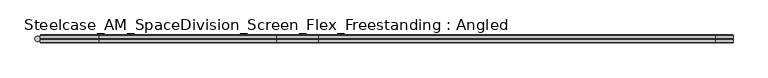
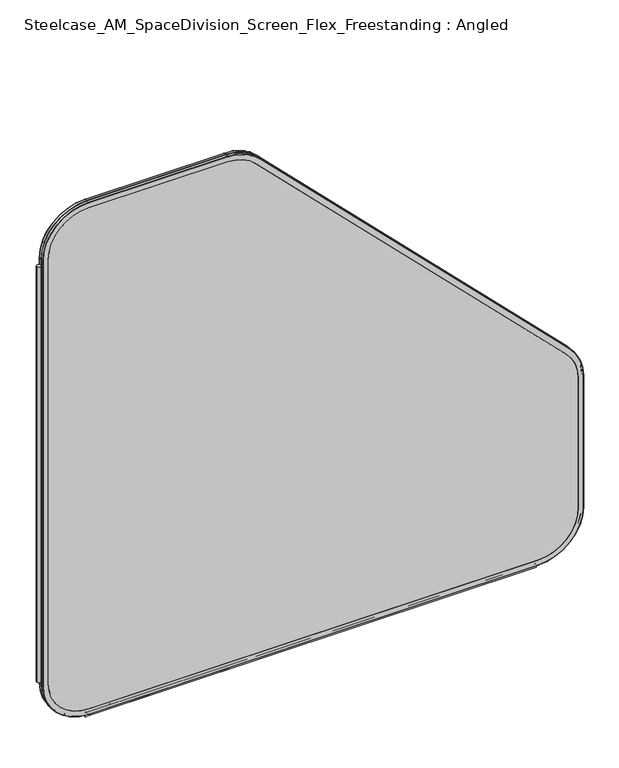
"""IFC4 building model written with IfcOpenShell, lengths in millimetres: furniture geometry, Steelcase_AM_SpaceDivision_Screen_Flex_Freestanding : Angled."""

import ifcopenshell
import ifcopenshell.guid

model = None  # the IFC model being written
_history = None  # IfcOwnerHistory: only IFC2X3 demands one
_inside = {}  # id of a spatial element -> (the spatial element, [elements in it])
_under = {}  # id of a project, library or spatial element -> (it, [spatial elements below it])
_declared = {}  # id of a project -> (the project, [libraries it declares])
_typed = {}  # id of a type object -> (the type object, [elements of that type])
_made_of = {}  # id of a material, layer set ... -> (it, [elements and type objects made of it])


def new_model(schema):
    """Start an empty IFC model of exactly this schema.

    Asked for "IFC4X3", IfcOpenShell would pick the latest addendum, in which some entities
    have other attributes; the version numbers below select the first issue.
    IFC2X3 requires an IfcOwnerHistory on every rooted entity: one is made here for all.
    """
    global model, _history
    if schema == "IFC4X3":
        model = ifcopenshell.file(schema_version=(4, 3, 0, 0))
    else:
        model = ifcopenshell.file(schema=schema)
    _inside.clear()
    _under.clear()
    _declared.clear()
    _typed.clear()
    _made_of.clear()
    _history = None
    if model.schema == "IFC2X3":
        org = make("IfcOrganization", Name="unknown")
        user = make(
            "IfcPersonAndOrganization",
            ThePerson=make("IfcPerson", FamilyName="unknown"),
            TheOrganization=org,
        )
        app = make(
            "IfcApplication",
            ApplicationDeveloper=org,
            Version="unknown",
            ApplicationFullName="unknown",
            ApplicationIdentifier="unknown",
        )
        _history = make(
            "IfcOwnerHistory",
            OwningUser=user,
            OwningApplication=app,
            ChangeAction="ADDED",
            CreationDate=0,
        )
    return model


def make(cls, **values):
    """One entity of the class cls with the attributes given. An attribute that is None is left unset."""
    return model.create_entity(
        cls, **{name: value for name, value in values.items() if value is not None}
    )


def rooted(cls, **values):
    """An entity with a GlobalId (a new one), such as an element, a storey or a relation."""
    return make(cls, GlobalId=ifcopenshell.guid.new(), OwnerHistory=_history, **values)


def si_unit(unit_type, name, prefix=None):
    """IfcSIUnit, for example si_unit("LENGTHUNIT", "METRE", prefix="MILLI")."""
    return make("IfcSIUnit", UnitType=unit_type, Prefix=prefix, Name=name)


def assignment(units):
    """IfcUnitAssignment: the units of a project."""
    return None if units is None else make("IfcUnitAssignment", Units=units)


def point(xyz):
    """IfcCartesianPoint."""
    return None if xyz is None else make("IfcCartesianPoint", Coordinates=xyz)


def direction(xyz):
    """IfcDirection."""
    return None if xyz is None else make("IfcDirection", DirectionRatios=xyz)


def frame(location, z_axis=None, x_axis=None):
    """IfcAxis2Placement3D, a coordinate frame: its origin and axes. An axis left out is left unset."""
    return make(
        "IfcAxis2Placement3D",
        Location=point(location),
        Axis=direction(z_axis),
        RefDirection=direction(x_axis),
    )


def frame_2d(location, x_axis=None):
    """IfcAxis2Placement2D, a coordinate frame in the plane: its origin and x axis."""
    return make(
        "IfcAxis2Placement2D", Location=point(location), RefDirection=direction(x_axis)
    )


def origin():
    """The frame at (0, 0, 0) with its axes left unset."""
    return frame((0.0, 0.0, 0.0))


def place(relative_to, where):
    """IfcLocalPlacement: puts the frame where relative to a parent placement (None: the world)."""
    return make(
        "IfcLocalPlacement", PlacementRelTo=relative_to, RelativePlacement=where
    )


def context(
    kind, dimensions, precision=None, world=None, true_north=None, identifier=None
):
    """IfcGeometricRepresentationContext, for example the 3D "Model" context."""
    return make(
        "IfcGeometricRepresentationContext",
        ContextIdentifier=identifier,
        ContextType=kind,
        CoordinateSpaceDimension=dimensions,
        Precision=precision,
        WorldCoordinateSystem=world,
        TrueNorth=true_north,
    )


def project(units=None, contexts=None):
    """IfcProject with its units and contexts."""
    return rooted(
        "IfcProject",
        Name="project",
        RepresentationContexts=contexts,
        UnitsInContext=assignment(units),
    )


def spatial(cls, under=None, at=None, **own):
    """A site, building, storey or space (cls), placed at a placement, below another one or the project."""
    s = rooted(cls, ObjectPlacement=at, **own)
    if under is not None:
        _under.setdefault(under.id(), (under, []))[1].append(s)
    return s


def polyline(points):
    """IfcPolyline through the points."""
    return make("IfcPolyline", Points=[point(p) for p in points])


def circle_curve(where, radius):
    """IfcCircle in the frame where."""
    return make("IfcCircle", Position=where, Radius=radius)


def ellipse_curve(where, semi_axis1, semi_axis2):
    """IfcEllipse in the frame where."""
    return make(
        "IfcEllipse", Position=where, SemiAxis1=semi_axis1, SemiAxis2=semi_axis2
    )


def trimmed(basis, trim1, trim2, sense, master):
    """IfcTrimmedCurve: the piece of a basis curve between two trims."""
    return make(
        "IfcTrimmedCurve",
        BasisCurve=basis,
        Trim1=trim1,
        Trim2=trim2,
        SenseAgreement=sense,
        MasterRepresentation=master,
    )


def segment(curve, same_sense, transition):
    """IfcCompositeCurveSegment."""
    return make(
        "IfcCompositeCurveSegment",
        Transition=transition,
        SameSense=same_sense,
        ParentCurve=curve,
    )


def composite_curve(segments, self_intersect=None):
    """IfcCompositeCurve: segments joined end to end."""
    return make("IfcCompositeCurve", Segments=segments, SelfIntersect=self_intersect)


def outline(outer, holes=None, kind="AREA"):
    """IfcArbitraryClosedProfileDef: a profile drawn as a closed curve; with holes, ...WithVoids."""
    if holes is None:
        return make("IfcArbitraryClosedProfileDef", ProfileType=kind, OuterCurve=outer)
    return make(
        "IfcArbitraryProfileDefWithVoids",
        ProfileType=kind,
        OuterCurve=outer,
        InnerCurves=holes,
    )


def extrude(swept, where, along, depth):
    """IfcExtrudedAreaSolid: the profile swept, set in the frame where, extruded along a direction by depth."""
    return make(
        "IfcExtrudedAreaSolid",
        SweptArea=swept,
        Position=where,
        ExtrudedDirection=direction(along),
        Depth=depth,
    )


def shape(context_of_items, identifier, shape_type, items):
    """IfcShapeRepresentation: the items that make up one representation, for example the "Body"."""
    return make(
        "IfcShapeRepresentation",
        ContextOfItems=context_of_items,
        RepresentationIdentifier=identifier,
        RepresentationType=shape_type,
        Items=items,
    )


def source(mapping_origin, context_of_items, identifier, shape_type, items):
    """IfcRepresentationMap: a shape defined once, which mapped items show again and again."""
    return make(
        "IfcRepresentationMap",
        MappingOrigin=mapping_origin,
        MappedRepresentation=shape(context_of_items, identifier, shape_type, items),
    )


def transform(
    local_origin,
    x_axis=None,
    y_axis=None,
    z_axis=None,
    scale=None,
    scale2=None,
    scale3=None,
    uniform=True,
):
    """IfcCartesianTransformationOperator3D, or its non-uniform kind. x_axis, y_axis, z_axis: its Axis1, 2, 3."""
    if uniform:
        return make(
            "IfcCartesianTransformationOperator3D",
            Axis1=direction(x_axis),
            Axis2=direction(y_axis),
            LocalOrigin=point(local_origin),
            Scale=scale,
            Axis3=direction(z_axis),
        )
    return make(
        "IfcCartesianTransformationOperator3DnonUniform",
        Axis1=direction(x_axis),
        Axis2=direction(y_axis),
        LocalOrigin=point(local_origin),
        Scale=scale,
        Axis3=direction(z_axis),
        Scale2=scale2,
        Scale3=scale3,
    )


def mapped(mapping_source, mapping_target):
    """IfcMappedItem: shows the shape of a source again, moved by a transform."""
    return make(
        "IfcMappedItem", MappingSource=mapping_source, MappingTarget=mapping_target
    )


def made_of(thing, what):
    """Note that an element or type object is made of a material, layer set ...; save() writes the relation."""
    if what is not None:
        _made_of.setdefault(what.id(), (what, []))[1].append(thing)
    return thing


def element(
    cls,
    number,
    at=None,
    inside=None,
    cuts=None,
    type_object=None,
    material=None,
    context=None,
    identifier="Body",
    shape_type=None,
    held_by="IfcProductDefinitionShape",
    body=None,
    shapes=None,
    **own,
):
    """One element of the class cls, such as IfcWall. Its Tag is "e" and its number.

    at: its placement. inside: the storey or other place that contains it. cuts: it is an
    opening in that element (IfcRelVoidsElement). A single representation is given by context,
    identifier, shape_type and body (its items); several are given by shapes. held_by: the class
    of the entity that holds the representations. save() writes the other relations.
    """
    e = rooted(cls, Tag="e%d" % number, ObjectPlacement=at, **own)
    if body is not None:
        shapes = [shape(context, identifier, shape_type, body)]
    if shapes is not None:
        e.Representation = make(held_by, Representations=shapes)
    if inside is not None:
        _inside.setdefault(inside.id(), (inside, []))[1].append(e)
    if cuts is not None:
        rooted(
            "IfcRelVoidsElement", RelatingBuildingElement=cuts, RelatedOpeningElement=e
        )
    if type_object is not None:
        _typed.setdefault(type_object.id(), (type_object, []))[1].append(e)
    return made_of(e, material)


def aggregate(whole, parts):
    """IfcRelAggregates: a whole, such as a stair, and the parts it consists of."""
    return rooted("IfcRelAggregates", RelatingObject=whole, RelatedObjects=parts)


def save(model, path):
    """Write the relations noted so far, then the file.

    IfcRelAggregates (storeys below a building ...), IfcRelContainedInSpatialStructure (elements
    in a storey), IfcRelDefinesByType, IfcRelAssociatesMaterial and IfcRelDeclares: one each for
    every whole, place, type object, material and project.
    """
    for whole, parts in _under.values():
        aggregate(whole, parts)
    for where, things in _inside.values():
        rooted(
            "IfcRelContainedInSpatialStructure",
            RelatedElements=things,
            RelatingStructure=where,
        )
    for kind, things in _typed.values():
        rooted("IfcRelDefinesByType", RelatedObjects=things, RelatingType=kind)
    for what, things in _made_of.values():
        rooted("IfcRelAssociatesMaterial", RelatedObjects=things, RelatingMaterial=what)
    for by, libraries in _declared.values():
        rooted("IfcRelDeclares", RelatingContext=by, RelatedDefinitions=libraries)
    model.write(path)


def plane_surface(at):
    """IfcPlane: the flat surface through the origin of the frame at, square to its z axis."""
    return make("IfcPlane", Position=at)


def cylinder_surface(at, radius):
    """IfcCylindricalSurface: all points at the distance radius from the z axis of the frame at."""
    return make("IfcCylindricalSurface", Position=at, Radius=radius)


def revolved_surface(curve, axis_point, axis_direction):
    """IfcSurfaceOfRevolution: the curve turned about the line through axis_point along axis_direction."""
    return make(
        "IfcSurfaceOfRevolution",
        SweptCurve=make("IfcArbitraryOpenProfileDef", ProfileType="CURVE", Curve=curve),
        AxisPosition=make("IfcAxis1Placement", Location=point(axis_point), Axis=direction(axis_direction)),
    )


def advanced_brep(points, edges, surfaces, faces):
    """IfcAdvancedBrep: a solid bounded by faces that lie on surfaces and meet in shared edges.

    An edge is (start, end): straight between two places in points (the first is 0);
    or (start, end, curve); or (start, end, curve, False) where it runs against its curve.
    A face is (place in surfaces, loops), or (place, loops, False) where it looks against
    its surface's normal. A loop lists edges by number (the first is 1), with a minus sign
    where the edge is run from its end to its start. The first loop is the outer one.
    """
    corners = [point(p) for p in points]
    vertices = [make("IfcVertexPoint", VertexGeometry=c) for c in corners]
    made = []
    for start, end, *more in edges:
        made.append(
            make(
                "IfcEdgeCurve",
                EdgeStart=vertices[start],
                EdgeEnd=vertices[end],
                EdgeGeometry=more[0] if more else make("IfcPolyline", Points=[corners[start], corners[end]]),
                SameSense=more[1] if len(more) > 1 else True,
            )
        )
    hull = []
    for where, loops, *sense in faces:
        bounds = []
        for j, loop in enumerate(loops):
            ring = [make("IfcOrientedEdge", EdgeElement=made[abs(k) - 1], Orientation=k > 0) for k in loop]
            bounds.append(
                make(
                    "IfcFaceOuterBound" if j == 0 else "IfcFaceBound",
                    Bound=make("IfcEdgeLoop", EdgeList=ring),
                    Orientation=True,
                )
            )
        hull.append(make("IfcAdvancedFace", Bounds=bounds, FaceSurface=surfaces[where], SameSense=sense[0] if sense else True))
    return make("IfcAdvancedBrep", Outer=make("IfcClosedShell", CfsFaces=hull))


def steelcase_am_spacedivision_screen_flex_freestanding_angled_8fabaf15(model_context):
    return source(origin(), model_context, "Body", "SolidModel", [
        extrude(outline(composite_curve([segment(trimmed(circle_curve(frame_2d((4.5307839, 0.0)), 4.572), [point((-0.0412161, 0.0))], [point((9.1027839, 0.0))], False, "CARTESIAN"), True, "CONTINUOUS"), segment(trimmed(circle_curve(frame_2d((4.5307839, 0.0)), 4.572), [point((9.1027839, 0.0))], [point((-0.0412161, 0.0))], False, "CARTESIAN"), True, "CONTINUOUS")], self_intersect=False)), frame((0.0, 0.0, 115.57), z_axis=(0.0, 0.0, 1.0), x_axis=(1.0, 0.0, 0.0)), (0.0, 0.0, 1.0), 969.9585855),
        advanced_brep(
        [(110.7653521, 5.9845715, 4.9996464), (9.1653521, 5.9845715, 106.5996464), (10.0387806, 6.858, 106.5996464), (110.7653521, 6.858, 5.8730749), (110.7653521, 0.762, 4.9996464), (9.1653521, 0.762, 106.5996464), (110.7653521, 0.0, 5.7616464), (9.9273521, 0.0, 106.5996464), (110.7653521, 6.858, 17.6996464), (21.8653521, 6.858, 106.5996464), (21.8653521, 0.0, 106.5996464), (110.7653521, 0.0, 17.6996464), (1103.6053316, 6.858, 5.8730749), (1103.6053316, 5.9845715, 4.9996464), (1103.6053316, 0.762, 4.9996464), (1103.6053316, 0.0, 5.7616464), (1103.6053316, 0.0, 17.6996464), (1103.6053316, 6.858, 17.6996464), (1205.2053316, 5.9845715, 106.5996464), (1204.3319031, 6.858, 106.5996464), (1205.2053316, 0.762, 106.5996464), (1204.4433316, 0.0, 106.5996464), (1192.5053316, 6.858, 106.5996464), (1192.5053316, 0.0, 106.5996464), (1204.3319031, 6.858, 413.7098783), (1205.2053316, 5.9845715, 413.7098783), (1205.2053316, 0.762, 413.7098783), (1204.4433316, 0.0, 413.7098783), (1192.5053316, 0.0, 413.7098783), (1192.5053316, 6.858, 413.7098783), (1175.4473806, 5.9845715, 485.5519272), (1174.8297734, 6.858, 484.93432), (1175.4473806, 0.762, 485.5519272), (1174.9085652, 0.0, 485.0131119), (1166.4671245, 6.858, 476.5716711), (1166.4671245, 0.0, 476.5716711), (489.0410661, 6.858, 1170.7230273), (489.6586733, 5.9845715, 1171.3406345), (489.6586733, 0.762, 1171.3406345), (489.119858, 0.0, 1170.8018191), (480.6784172, 0.0, 1162.3603784), (480.6784172, 6.858, 1162.3603784), (417.8166244, 5.9845715, 1201.0985855), (417.8166244, 6.858, 1200.225157), (417.8166244, 0.762, 1201.0985855), (417.8166244, 0.0, 1200.3365855), (417.8166244, 6.858, 1188.3985855), (417.8166244, 0.0, 1188.3985855), (110.7653521, 6.858, 1200.225157), (110.7653521, 5.9845715, 1201.0985855), (110.7653521, 0.762, 1201.0985855), (110.7653521, 0.0, 1200.3365855), (110.7653521, 0.0, 1188.3985855), (110.7653521, 6.858, 1188.3985855), (9.1653521, 5.9845715, 1099.4985855), (10.0387806, 6.858, 1099.4985855), (9.1653521, 0.762, 1099.4985855), (9.9273521, 0.0, 1099.4985855), (21.8653521, 6.858, 1099.4985855), (21.8653521, 0.0, 1099.4985855)],
        [
            (0, 1, circle_curve(frame((110.7653521, 5.9845715, 106.5996464), z_axis=(0.0, 1.0, 0.0), x_axis=(-1.0, 0.0, 0.0)), 101.6)),
            (1, 2, circle_curve(frame((10.0387806, 5.9845715, 106.5996464), z_axis=(0.0, 0.0, -1.0), x_axis=(0.0, -1.0, 0.0)), 0.8734285)),
            (2, 3, circle_curve(frame((110.7653521, 6.858, 106.5996464), z_axis=(0.0, -1.0, 0.0), x_axis=(-1.0, 0.0, 0.0)), 100.7265715)),
            (3, 0, circle_curve(frame((110.7653521, 5.9845715, 5.8730749), z_axis=(-1.0, 0.0, 0.0), x_axis=(0.0, -1.0, 0.0)), 0.8734285)),
            (4, 5, circle_curve(frame((110.7653521, 0.762, 106.5996464), z_axis=(0.0, 1.0, 0.0), x_axis=(-1.0, 0.0, 0.0)), 101.6)),
            (5, 1),
            (0, 4),
            (6, 7, circle_curve(frame((110.7653521, 0.0, 106.5996464), z_axis=(0.0, 1.0, 0.0), x_axis=(-1.0, 0.0, 0.0)), 100.838)),
            (7, 5, circle_curve(frame((9.9273521, 0.762, 106.5996464), z_axis=(0.0, 0.0, -1.0), x_axis=(0.0, -1.0, 0.0)), 0.762)),
            (4, 6, circle_curve(frame((110.7653521, 0.762, 5.7616464), z_axis=(-1.0, 0.0, 0.0), x_axis=(0.0, -1.0, 0.0)), 0.762)),
            (8, 9, circle_curve(frame((110.7653521, 6.858, 106.5996464), z_axis=(0.0, 1.0, 0.0), x_axis=(-1.0, 0.0, 0.0)), 88.9)),
            (9, 10),
            (10, 11, circle_curve(frame((110.7653521, 0.0, 106.5996464), z_axis=(0.0, -1.0, 0.0), x_axis=(-1.0, 0.0, 0.0)), 88.9)),
            (11, 8),
            (3, 12),
            (12, 13, circle_curve(frame((1103.6053316, 5.9845715, 5.8730749), z_axis=(-1.0, 0.0, 0.0), x_axis=(0.0, -1.0, 0.0)), 0.8734285)),
            (13, 0),
            (13, 14),
            (14, 4),
            (14, 15, circle_curve(frame((1103.6053316, 0.762, 5.7616464), z_axis=(-1.0, 0.0, 0.0), x_axis=(0.0, -1.0, 0.0)), 0.762)),
            (15, 6),
            (11, 16),
            (16, 17),
            (17, 8),
            (18, 13, circle_curve(frame((1103.6053316, 5.9845715, 106.5996464), z_axis=(0.0, 1.0, 0.0), x_axis=(0.0, 0.0, -1.0)), 101.6)),
            (12, 19, circle_curve(frame((1103.6053316, 6.858, 106.5996464), z_axis=(0.0, -1.0, 0.0), x_axis=(0.0, 0.0, -1.0)), 100.7265715)),
            (19, 18, circle_curve(frame((1204.3319031, 5.9845715, 106.5996464), z_axis=(0.0, 0.0, -1.0), x_axis=(0.0, -1.0, 0.0)), 0.8734285)),
            (20, 14, circle_curve(frame((1103.6053316, 0.762, 106.5996464), z_axis=(0.0, 1.0, 0.0), x_axis=(0.0, 0.0, -1.0)), 101.6)),
            (18, 20),
            (21, 15, circle_curve(frame((1103.6053316, 0.0, 106.5996464), z_axis=(0.0, 1.0, 0.0), x_axis=(0.0, 0.0, -1.0)), 100.838)),
            (20, 21, circle_curve(frame((1204.4433316, 0.762, 106.5996464), z_axis=(0.0, 0.0, -1.0), x_axis=(0.0, -1.0, 0.0)), 0.762)),
            (22, 17, circle_curve(frame((1103.6053316, 6.858, 106.5996464), z_axis=(0.0, 1.0, 0.0), x_axis=(0.0, 0.0, -1.0)), 88.9)),
            (16, 23, circle_curve(frame((1103.6053316, 0.0, 106.5996464), z_axis=(0.0, -1.0, 0.0), x_axis=(0.0, 0.0, -1.0)), 88.9)),
            (23, 22),
            (19, 24),
            (24, 25, circle_curve(frame((1204.3319031, 5.9845715, 413.7098783), z_axis=(0.0, 0.0, -1.0), x_axis=(0.0, -1.0, 0.0)), 0.8734285)),
            (25, 18),
            (25, 26),
            (26, 20),
            (26, 27, circle_curve(frame((1204.4433316, 0.762, 413.7098783), z_axis=(0.0, 0.0, -1.0), x_axis=(0.0, -1.0, 0.0)), 0.762)),
            (27, 21),
            (23, 28),
            (28, 29),
            (29, 22),
            (30, 25, circle_curve(frame((1103.6053316, 5.9845715, 413.7098783), z_axis=(0.0, 1.0, 0.0), x_axis=(1.0, 0.0, 0.0)), 101.6)),
            (24, 31, circle_curve(frame((1103.6053316, 6.858, 413.7098783), z_axis=(0.0, -1.0, 0.0), x_axis=(1.0, 0.0, 0.0)), 100.7265715)),
            (31, 30, circle_curve(frame((1174.8297734, 5.9845715, 484.93432), z_axis=(0.7071067811865452, 0.0, -0.7071067811865498), x_axis=(0.0, -1.0, 0.0)), 0.8734285)),
            (32, 26, circle_curve(frame((1103.6053316, 0.762, 413.7098783), z_axis=(0.0, 1.0, 0.0), x_axis=(1.0, 0.0, 0.0)), 101.6)),
            (30, 32),
            (33, 27, circle_curve(frame((1103.6053316, 0.0, 413.7098783), z_axis=(0.0, 1.0, 0.0), x_axis=(1.0, 0.0, 0.0)), 100.838)),
            (32, 33, circle_curve(frame((1174.9085652, 0.762, 485.0131119), z_axis=(0.7071067811865456, 0.0, -0.7071067811865496), x_axis=(0.0, -1.0, 0.0)), 0.762)),
            (34, 29, circle_curve(frame((1103.6053316, 6.858, 413.7098783), z_axis=(0.0, 1.0, 0.0), x_axis=(1.0, 0.0, 0.0)), 88.9)),
            (28, 35, circle_curve(frame((1103.6053316, 0.0, 413.7098783), z_axis=(0.0, -1.0, 0.0), x_axis=(1.0, 0.0, 0.0)), 88.9)),
            (35, 34),
            (31, 36),
            (36, 37, circle_curve(frame((489.0410661, 5.9845715, 1170.7230273), z_axis=(0.7071067811865461, 0.0, -0.7071067811865489), x_axis=(0.0, -1.0, 0.0)), 0.8734285)),
            (37, 30),
            (37, 38),
            (38, 32),
            (38, 39, circle_curve(frame((489.119858, 0.762, 1170.8018191), z_axis=(0.7071067811865461, 0.0, -0.7071067811865489), x_axis=(0.0, -1.0, 0.0)), 0.762)),
            (39, 33),
            (35, 40),
            (40, 41),
            (41, 34),
            (42, 37, circle_curve(frame((417.8166244, 5.9845715, 1099.4985855), z_axis=(0.0, 1.0, 0.0), x_axis=(0.7071067811865533, 0.0, 0.7071067811865417)), 101.6)),
            (36, 43, circle_curve(frame((417.8166244, 6.858, 1099.4985855), z_axis=(0.0, -1.0, 0.0), x_axis=(0.7071067811865533, 0.0, 0.7071067811865417)), 100.7265715)),
            (43, 42, circle_curve(frame((417.8166244, 5.9845715, 1200.225157), z_axis=(1.0, 0.0, 0.0), x_axis=(0.0, -1.0, 0.0)), 0.8734285)),
            (44, 38, circle_curve(frame((417.8166244, 0.762, 1099.4985855), z_axis=(0.0, 1.0, 0.0), x_axis=(0.7071067811865533, 0.0, 0.7071067811865417)), 101.6)),
            (42, 44),
            (45, 39, circle_curve(frame((417.8166244, 0.0, 1099.4985855), z_axis=(0.0, 1.0, 0.0), x_axis=(0.7071067811865533, 0.0, 0.7071067811865417)), 100.838)),
            (44, 45, circle_curve(frame((417.8166244, 0.762, 1200.3365855), z_axis=(1.0, 0.0, 0.0), x_axis=(0.0, -1.0, 0.0)), 0.762)),
            (46, 41, circle_curve(frame((417.8166244, 6.858, 1099.4985855), z_axis=(0.0, 1.0, 0.0), x_axis=(0.7071067811865533, 0.0, 0.7071067811865417)), 88.9)),
            (40, 47, circle_curve(frame((417.8166244, 0.0, 1099.4985855), z_axis=(0.0, -1.0, 0.0), x_axis=(0.7071067811865533, 0.0, 0.7071067811865417)), 88.9)),
            (47, 46),
            (43, 48),
            (48, 49, circle_curve(frame((110.7653521, 5.9845715, 1200.225157), z_axis=(1.0, 0.0, 0.0), x_axis=(0.0, -1.0, 0.0)), 0.8734285)),
            (49, 42),
            (49, 50),
            (50, 44),
            (50, 51, circle_curve(frame((110.7653521, 0.762, 1200.3365855), z_axis=(1.0, 0.0, 0.0), x_axis=(0.0, -1.0, 0.0)), 0.762)),
            (51, 45),
            (47, 52),
            (52, 53),
            (53, 46),
            (54, 49, circle_curve(frame((110.7653521, 5.9845715, 1099.4985855), z_axis=(0.0, 1.0, 0.0), x_axis=(0.0, 0.0, 1.0)), 101.6)),
            (48, 55, circle_curve(frame((110.7653521, 6.858, 1099.4985855), z_axis=(0.0, -1.0, 0.0), x_axis=(0.0, 0.0, 1.0)), 100.7265715)),
            (55, 54, circle_curve(frame((10.0387806, 5.9845715, 1099.4985855), z_axis=(0.0, 0.0, 1.0), x_axis=(0.0, -1.0, 0.0)), 0.8734285)),
            (56, 50, circle_curve(frame((110.7653521, 0.762, 1099.4985855), z_axis=(0.0, 1.0, 0.0), x_axis=(0.0, 0.0, 1.0)), 101.6)),
            (54, 56),
            (57, 51, circle_curve(frame((110.7653521, 0.0, 1099.4985855), z_axis=(0.0, 1.0, 0.0), x_axis=(0.0, 0.0, 1.0)), 100.838)),
            (56, 57, circle_curve(frame((9.9273521, 0.762, 1099.4985855), z_axis=(0.0, 0.0, 1.0), x_axis=(0.0, -1.0, 0.0)), 0.762)),
            (58, 53, circle_curve(frame((110.7653521, 6.858, 1099.4985855), z_axis=(0.0, 1.0, 0.0), x_axis=(0.0, 0.0, 1.0)), 88.9)),
            (52, 59, circle_curve(frame((110.7653521, 0.0, 1099.4985855), z_axis=(0.0, -1.0, 0.0), x_axis=(0.0, 0.0, 1.0)), 88.9)),
            (59, 58),
            (2, 55),
            (58, 9),
            (1, 54),
            (5, 56),
            (7, 57),
            (10, 59),
        ],
        [
            revolved_surface(trimmed(ellipse_curve(frame((10.0387806, 5.9845715, 106.5996464), z_axis=(0.0, 0.0, 1.0), x_axis=(0.0, -1.0, 0.0)), 0.8734285, 0.8734285), [point((10.0387806, 6.858, 106.5996464))], [point((9.1653521, 5.9845715, 106.5996464))], True, "CARTESIAN"), (110.7653521, 0.0, 106.5996464), (0.0, -1.0, 0.0)),
            cylinder_surface(frame((110.7653521, 0.0, 106.5996464), z_axis=(0.0, -1.0, 0.0), x_axis=(-1.0, 0.0, 0.0)), 101.6),
            revolved_surface(trimmed(ellipse_curve(frame((9.9273521, 0.762, 106.5996464), z_axis=(0.0, 0.0, 1.0), x_axis=(0.0, -1.0, 0.0)), 0.762, 0.762), [point((9.1653521, 0.762, 106.5996464))], [point((9.9273521, 0.0, 106.5996464))], True, "CARTESIAN"), (110.7653521, 0.0, 106.5996464), (0.0, -1.0, 0.0)),
            revolved_surface(polyline([(21.865352099999996, 0.0, 106.5996464), (21.865352099999996, 6.858, 106.5996464)]), (110.7653521, 0.0, 106.5996464), (0.0, -1.0, 0.0)),
            cylinder_surface(frame((110.7653521, 5.9845715, 5.8730749), z_axis=(-1.0, 0.0, 0.0), x_axis=(0.0, -1.0, 0.0)), 0.8734285),
            plane_surface(frame((110.7653521, 5.9845715, 4.9996464), z_axis=(0.0, 0.0, -1.0), x_axis=(1.0, 0.0, 0.0))),
            cylinder_surface(frame((110.7653521, 0.762, 5.7616464), z_axis=(-1.0, 0.0, 0.0), x_axis=(0.0, -1.0, 0.0)), 0.762),
            plane_surface(frame((110.7653521, 0.0, 17.6996464), z_axis=(0.0, 0.0, 1.0), x_axis=(1.0, 0.0, 0.0))),
            revolved_surface(trimmed(ellipse_curve(frame((1103.6053316, 5.9845715, 5.8730749), z_axis=(-1.0, 0.0, 0.0), x_axis=(0.0, -1.0, 0.0)), 0.8734285, 0.8734285), [point((1103.6053316, 6.858, 5.8730749))], [point((1103.6053316, 5.9845715, 4.9996464))], True, "CARTESIAN"), (1103.6053316, 0.0, 106.5996464), (0.0, -1.0, 0.0)),
            cylinder_surface(frame((1103.6053316, 0.0, 106.5996464), z_axis=(0.0, -1.0, 0.0), x_axis=(0.0, 0.0, -1.0)), 101.6),
            revolved_surface(trimmed(ellipse_curve(frame((1103.6053316, 0.762, 5.7616464), z_axis=(-1.0, 0.0, 0.0), x_axis=(0.0, -1.0, 0.0)), 0.762, 0.762), [point((1103.6053316, 0.762, 4.9996464))], [point((1103.6053316, 0.0, 5.7616464))], True, "CARTESIAN"), (1103.6053316, 0.0, 106.5996464), (0.0, -1.0, 0.0)),
            revolved_surface(polyline([(1103.6053316, 0.0, 17.699646399999992), (1103.6053316, 6.858, 17.699646399999992)]), (1103.6053316, 0.0, 106.5996464), (0.0, -1.0, 0.0)),
            cylinder_surface(frame((1204.3319031, 5.9845715, 106.5996464), z_axis=(0.0, 0.0, -1.0), x_axis=(0.0, -1.0, 0.0)), 0.8734285),
            plane_surface(frame((1205.2053316, 5.9845715, 106.5996464), z_axis=(1.0, 0.0, 0.0), x_axis=(0.0, 0.0, 1.0))),
            cylinder_surface(frame((1204.4433316, 0.762, 106.5996464), z_axis=(0.0, 0.0, -1.0), x_axis=(0.0, -1.0, 0.0)), 0.762),
            plane_surface(frame((1192.5053316, 0.0, 106.5996464), z_axis=(-1.0, 0.0, 0.0), x_axis=(0.0, 0.0, 1.0))),
            revolved_surface(trimmed(ellipse_curve(frame((1204.3319031, 5.9845715, 413.7098783), z_axis=(0.0, 0.0, -1.0), x_axis=(0.0, -1.0, 0.0)), 0.8734285, 0.8734285), [point((1204.3319031, 6.858, 413.7098783))], [point((1205.2053316, 5.9845715, 413.7098783))], True, "CARTESIAN"), (1103.6053316, 0.0, 413.7098783), (0.0, -1.0, 0.0)),
            cylinder_surface(frame((1103.6053316, 0.0, 413.7098783), z_axis=(0.0, -1.0, 0.0), x_axis=(1.0, 0.0, 0.0)), 101.6),
            revolved_surface(trimmed(ellipse_curve(frame((1204.4433316, 0.762, 413.7098783), z_axis=(0.0, 0.0, -1.0), x_axis=(0.0, -1.0, 0.0)), 0.762, 0.762), [point((1205.2053316, 0.762, 413.7098783))], [point((1204.4433316, 0.0, 413.7098783))], True, "CARTESIAN"), (1103.6053316, 0.0, 413.7098783), (0.0, -1.0, 0.0)),
            revolved_surface(polyline([(1192.5053316, 0.0, 413.7098783), (1192.5053316, 6.858, 413.7098783)]), (1103.6053316, 0.0, 413.7098783), (0.0, -1.0, 0.0)),
            cylinder_surface(frame((1174.8297734, 5.9845715, 484.93432), z_axis=(0.7071067811865461, 0.0, -0.7071067811865489), x_axis=(0.0, -1.0, 0.0)), 0.8734285),
            plane_surface(frame((1175.4473806, 5.9845715, 485.5519272), z_axis=(0.7071067811865491, 0.0, 0.707106781186546), x_axis=(-0.707106781186546, 0.0, 0.7071067811865491))),
            cylinder_surface(frame((1174.9085652, 0.762, 485.0131119), z_axis=(0.7071067811865461, 0.0, -0.7071067811865489), x_axis=(0.0, -1.0, 0.0)), 0.762),
            plane_surface(frame((1166.4671245, 0.0, 476.5716711), z_axis=(-0.7071067811865491, 0.0, -0.7071067811865459), x_axis=(-0.7071067811865459, 0.0, 0.7071067811865491))),
            revolved_surface(trimmed(ellipse_curve(frame((489.0410661, 5.9845715, 1170.7230273), z_axis=(0.7071067811865419, 0.0, -0.7071067811865531), x_axis=(0.0, -1.0, 0.0)), 0.8734285, 0.8734285), [point((489.0410661, 6.858, 1170.7230273))], [point((489.6586733, 5.9845715, 1171.3406345))], True, "CARTESIAN"), (417.8166244, 0.0, 1099.4985855), (0.0, -1.0, 0.0)),
            cylinder_surface(frame((417.8166244, 0.0, 1099.4985855), z_axis=(0.0, -1.0, 0.0), x_axis=(0.7071067811865533, 0.0, 0.7071067811865417)), 101.6),
            revolved_surface(trimmed(ellipse_curve(frame((489.119858, 0.762, 1170.8018191), z_axis=(0.7071067811865419, 0.0, -0.7071067811865531), x_axis=(0.0, -1.0, 0.0)), 0.762, 0.762), [point((489.6586733, 0.762, 1171.3406345))], [point((489.119858, 0.0, 1170.8018191))], True, "CARTESIAN"), (417.8166244, 0.0, 1099.4985855), (0.0, -1.0, 0.0)),
            revolved_surface(polyline([(480.6784172474846, 0.0, 1162.3603783474834), (480.6784172474846, 6.858, 1162.3603783474834)]), (417.8166244, 0.0, 1099.4985855), (0.0, -1.0, 0.0)),
            cylinder_surface(frame((417.8166244, 5.9845715, 1200.225157), z_axis=(1.0, 0.0, 0.0), x_axis=(0.0, -1.0, 0.0)), 0.8734285),
            plane_surface(frame((417.8166244, 5.9845715, 1201.0985855), z_axis=(0.0, 0.0, 1.0), x_axis=(-1.0, 0.0, 0.0))),
            cylinder_surface(frame((417.8166244, 0.762, 1200.3365855), z_axis=(1.0, 0.0, 0.0), x_axis=(0.0, -1.0, 0.0)), 0.762),
            plane_surface(frame((417.8166244, 0.0, 1188.3985855), z_axis=(0.0, 0.0, -1.0), x_axis=(-1.0, 0.0, 0.0))),
            revolved_surface(trimmed(ellipse_curve(frame((110.7653521, 5.9845715, 1200.225157), z_axis=(1.0, 0.0, 0.0), x_axis=(0.0, -1.0, 0.0)), 0.8734285, 0.8734285), [point((110.7653521, 6.858, 1200.225157))], [point((110.7653521, 5.9845715, 1201.0985855))], True, "CARTESIAN"), (110.7653521, 0.0, 1099.4985855), (0.0, -1.0, 0.0)),
            cylinder_surface(frame((110.7653521, 0.0, 1099.4985855), z_axis=(0.0, -1.0, 0.0), x_axis=(0.0, 0.0, 1.0)), 101.6),
            revolved_surface(trimmed(ellipse_curve(frame((110.7653521, 0.762, 1200.3365855), z_axis=(1.0, 0.0, 0.0), x_axis=(0.0, -1.0, 0.0)), 0.762, 0.762), [point((110.7653521, 0.762, 1201.0985855))], [point((110.7653521, 0.0, 1200.3365855))], True, "CARTESIAN"), (110.7653521, 0.0, 1099.4985855), (0.0, -1.0, 0.0)),
            revolved_surface(polyline([(110.7653521, 0.0, 1188.3985855), (110.7653521, 6.858, 1188.3985855)]), (110.7653521, 0.0, 1099.4985855), (0.0, -1.0, 0.0)),
            plane_surface(frame((21.8653521, 6.858, 1099.4985855), z_axis=(0.0, 1.0, 0.0), x_axis=(0.0, 0.0, -1.0))),
            cylinder_surface(frame((10.0387806, 5.9845715, 1099.4985855), z_axis=(0.0, 0.0, 1.0), x_axis=(0.0, -1.0, 0.0)), 0.8734285),
            plane_surface(frame((9.1653521, 5.9845715, 1099.4985855), z_axis=(-1.0, 0.0, 0.0), x_axis=(0.0, 0.0, -1.0))),
            cylinder_surface(frame((9.9273521, 0.762, 1099.4985855), z_axis=(0.0, 0.0, 1.0), x_axis=(0.0, -1.0, 0.0)), 0.762),
            plane_surface(frame((9.9273521, 0.0, 1099.4985855), z_axis=(0.0, -1.0, 0.0), x_axis=(0.0, 0.0, -1.0))),
            plane_surface(frame((21.8653521, 0.0, 1099.4985855), z_axis=(1.0, 0.0, 0.0), x_axis=(0.0, 0.0, -1.0))),
        ],
        [
            (0, [[1, 2, 3, 4]]),
            (1, [[5, 6, -1, 7]]),
            (2, [[8, 9, -5, 10]]),
            (3, [[11, 12, 13, 14]]),
            (4, [[-4, 15, 16, 17]]),
            (5, [[-7, -17, 18, 19]]),
            (6, [[-10, -19, 20, 21]]),
            (7, [[-14, 22, 23, 24]]),
            (8, [[25, -16, 26, 27]]),
            (9, [[28, -18, -25, 29]]),
            (10, [[30, -20, -28, 31]]),
            (11, [[32, -23, 33, 34]]),
            (12, [[-27, 35, 36, 37]]),
            (13, [[-29, -37, 38, 39]]),
            (14, [[-31, -39, 40, 41]]),
            (15, [[-34, 42, 43, 44]]),
            (16, [[45, -36, 46, 47]]),
            (17, [[48, -38, -45, 49]]),
            (18, [[50, -40, -48, 51]]),
            (19, [[52, -43, 53, 54]]),
            (20, [[-47, 55, 56, 57]]),
            (21, [[-49, -57, 58, 59]]),
            (22, [[-51, -59, 60, 61]]),
            (23, [[-54, 62, 63, 64]]),
            (24, [[65, -56, 66, 67]]),
            (25, [[68, -58, -65, 69]]),
            (26, [[70, -60, -68, 71]]),
            (27, [[72, -63, 73, 74]]),
            (28, [[-67, 75, 76, 77]]),
            (29, [[-69, -77, 78, 79]]),
            (30, [[-71, -79, 80, 81]]),
            (31, [[-74, 82, 83, 84]]),
            (32, [[85, -76, 86, 87]]),
            (33, [[88, -78, -85, 89]]),
            (34, [[90, -80, -88, 91]]),
            (35, [[92, -83, 93, 94]]),
            (36, [[95, -86, -75, -66, -55, -46, -35, -26, -15, -3], [-84, -92, 96, -11, -24, -32, -44, -52, -64, -72]]),
            (37, [[-87, -95, -2, 97]]),
            (38, [[-89, -97, -6, 98]]),
            (39, [[-91, -98, -9, 99]]),
            (40, [[-81, -90, -99, -8, -21, -30, -41, -50, -61, -70], [100, -93, -82, -73, -62, -53, -42, -33, -22, -13]]),
            (41, [[-94, -100, -12, -96]]),
        ],
    ),
        advanced_brep(
        [(110.7653521, -0.762, 4.9996464), (9.1653521, -0.762, 106.5996464), (9.9273521, 0.0, 106.5996464), (110.7653521, 0.0, 5.7616464), (110.7653521, -6.096, 4.9996464), (9.1653521, -6.096, 106.5996464), (110.7653521, -6.858, 5.7616464), (9.9273521, -6.858, 106.5996464), (110.7653521, 0.0, 17.6996464), (21.8653521, 0.0, 106.5996464), (21.8653521, -6.858, 106.5996464), (110.7653521, -6.858, 17.6996464), (1103.6053316, 0.0, 5.7616464), (1103.6053316, -0.762, 4.9996464), (1103.6053316, -6.096, 4.9996464), (1103.6053316, -6.858, 5.7616464), (1103.6053316, -6.858, 17.6996464), (1103.6053316, 0.0, 17.6996464), (1205.2053316, -0.762, 106.5996464), (1204.4433316, 0.0, 106.5996464), (1205.2053316, -6.096, 106.5996464), (1204.4433316, -6.858, 106.5996464), (1192.5053316, 0.0, 106.5996464), (1192.5053316, -6.858, 106.5996464), (1204.4433316, 0.0, 413.7098783), (1205.2053316, -0.762, 413.7098783), (1205.2053316, -6.096, 413.7098783), (1204.4433316, -6.858, 413.7098783), (1192.5053316, -6.858, 413.7098783), (1192.5053316, 0.0, 413.7098783), (1175.4473806, -0.762, 485.5519272), (1174.9085652, 0.0, 485.0131119), (1175.4473806, -6.096, 485.5519272), (1174.9085652, -6.858, 485.0131119), (1166.4671245, 0.0, 476.5716711), (1166.4671245, -6.858, 476.5716711), (489.119858, 0.0, 1170.8018191), (489.6586733, -0.762, 1171.3406345), (489.6586733, -6.096, 1171.3406345), (489.119858, -6.858, 1170.8018191), (480.6784172, -6.858, 1162.3603784), (480.6784172, 0.0, 1162.3603784), (417.8166244, -0.762, 1201.0985855), (417.8166244, 0.0, 1200.3365855), (417.8166244, -6.096, 1201.0985855), (417.8166244, -6.858, 1200.3365855), (417.8166244, 0.0, 1188.3985855), (417.8166244, -6.858, 1188.3985855), (110.7653521, 0.0, 1200.3365855), (110.7653521, -0.762, 1201.0985855), (110.7653521, -6.096, 1201.0985855), (110.7653521, -6.858, 1200.3365855), (110.7653521, -6.858, 1188.3985855), (110.7653521, 0.0, 1188.3985855), (9.1653521, -0.762, 1099.4985855), (9.9273521, 0.0, 1099.4985855), (9.1653521, -6.096, 1099.4985855), (9.9273521, -6.858, 1099.4985855), (21.8653521, 0.0, 1099.4985855), (21.8653521, -6.858, 1099.4985855)],
        [
            (0, 1, circle_curve(frame((110.7653521, -0.762, 106.5996464), z_axis=(0.0, 1.0, 0.0), x_axis=(-1.0, 0.0, 0.0)), 101.6)),
            (1, 2, circle_curve(frame((9.9273521, -0.762, 106.5996464), z_axis=(0.0, 0.0, -1.0), x_axis=(0.0, -1.0, 0.0)), 0.762)),
            (2, 3, circle_curve(frame((110.7653521, 0.0, 106.5996464), z_axis=(0.0, -1.0, 0.0), x_axis=(-1.0, 0.0, 0.0)), 100.838)),
            (3, 0, circle_curve(frame((110.7653521, -0.762, 5.7616464), z_axis=(-1.0, 0.0, 0.0), x_axis=(0.0, -1.0, 0.0)), 0.762)),
            (4, 5, circle_curve(frame((110.7653521, -6.096, 106.5996464), z_axis=(0.0, 1.0, 0.0), x_axis=(-1.0, 0.0, 0.0)), 101.6)),
            (5, 1),
            (0, 4),
            (6, 7, circle_curve(frame((110.7653521, -6.858, 106.5996464), z_axis=(0.0, 1.0, 0.0), x_axis=(-1.0, 0.0, 0.0)), 100.838)),
            (7, 5, circle_curve(frame((9.9273521, -6.096, 106.5996464), z_axis=(0.0, 0.0, -1.0), x_axis=(0.0, -1.0, 0.0)), 0.762)),
            (4, 6, circle_curve(frame((110.7653521, -6.096, 5.7616464), z_axis=(-1.0, 0.0, 0.0), x_axis=(0.0, -1.0, 0.0)), 0.762)),
            (8, 9, circle_curve(frame((110.7653521, 0.0, 106.5996464), z_axis=(0.0, 1.0, 0.0), x_axis=(-1.0, 0.0, 0.0)), 88.9)),
            (9, 10),
            (10, 11, circle_curve(frame((110.7653521, -6.858, 106.5996464), z_axis=(0.0, -1.0, 0.0), x_axis=(-1.0, 0.0, 0.0)), 88.9)),
            (11, 8),
            (3, 12),
            (12, 13, circle_curve(frame((1103.6053316, -0.762, 5.7616464), z_axis=(-1.0, 0.0, 0.0), x_axis=(0.0, -1.0, 0.0)), 0.762)),
            (13, 0),
            (13, 14),
            (14, 4),
            (14, 15, circle_curve(frame((1103.6053316, -6.096, 5.7616464), z_axis=(-1.0, 0.0, 0.0), x_axis=(0.0, -1.0, 0.0)), 0.762)),
            (15, 6),
            (11, 16),
            (16, 17),
            (17, 8),
            (18, 13, circle_curve(frame((1103.6053316, -0.762, 106.5996464), z_axis=(0.0, 1.0, 0.0), x_axis=(0.0, 0.0, -1.0)), 101.6)),
            (12, 19, circle_curve(frame((1103.6053316, 0.0, 106.5996464), z_axis=(0.0, -1.0, 0.0), x_axis=(0.0, 0.0, -1.0)), 100.838)),
            (19, 18, circle_curve(frame((1204.4433316, -0.762, 106.5996464), z_axis=(0.0, 0.0, -1.0), x_axis=(0.0, -1.0, 0.0)), 0.762)),
            (20, 14, circle_curve(frame((1103.6053316, -6.096, 106.5996464), z_axis=(0.0, 1.0, 0.0), x_axis=(0.0, 0.0, -1.0)), 101.6)),
            (18, 20),
            (21, 15, circle_curve(frame((1103.6053316, -6.858, 106.5996464), z_axis=(0.0, 1.0, 0.0), x_axis=(0.0, 0.0, -1.0)), 100.838)),
            (20, 21, circle_curve(frame((1204.4433316, -6.096, 106.5996464), z_axis=(0.0, 0.0, -1.0), x_axis=(0.0, -1.0, 0.0)), 0.762)),
            (22, 17, circle_curve(frame((1103.6053316, 0.0, 106.5996464), z_axis=(0.0, 1.0, 0.0), x_axis=(0.0, 0.0, -1.0)), 88.9)),
            (16, 23, circle_curve(frame((1103.6053316, -6.858, 106.5996464), z_axis=(0.0, -1.0, 0.0), x_axis=(0.0, 0.0, -1.0)), 88.9)),
            (23, 22),
            (19, 24),
            (24, 25, circle_curve(frame((1204.4433316, -0.762, 413.7098783), z_axis=(0.0, 0.0, -1.0), x_axis=(0.0, -1.0, 0.0)), 0.762)),
            (25, 18),
            (25, 26),
            (26, 20),
            (26, 27, circle_curve(frame((1204.4433316, -6.096, 413.7098783), z_axis=(0.0, 0.0, -1.0), x_axis=(0.0, -1.0, 0.0)), 0.762)),
            (27, 21),
            (23, 28),
            (28, 29),
            (29, 22),
            (30, 25, circle_curve(frame((1103.6053316, -0.762, 413.7098783), z_axis=(0.0, 1.0, 0.0), x_axis=(1.0, 0.0, 0.0)), 101.6)),
            (24, 31, circle_curve(frame((1103.6053316, 0.0, 413.7098783), z_axis=(0.0, -1.0, 0.0), x_axis=(1.0, 0.0, 0.0)), 100.838)),
            (31, 30, circle_curve(frame((1174.9085652, -0.762, 485.0131119), z_axis=(0.7071067811865452, 0.0, -0.7071067811865498), x_axis=(0.0, -1.0, 0.0)), 0.762)),
            (32, 26, circle_curve(frame((1103.6053316, -6.096, 413.7098783), z_axis=(0.0, 1.0, 0.0), x_axis=(1.0, 0.0, 0.0)), 101.6)),
            (30, 32),
            (33, 27, circle_curve(frame((1103.6053316, -6.858, 413.7098783), z_axis=(0.0, 1.0, 0.0), x_axis=(1.0, 0.0, 0.0)), 100.838)),
            (32, 33, circle_curve(frame((1174.9085652, -6.096, 485.0131119), z_axis=(0.7071067811865449, 0.0, -0.7071067811865501), x_axis=(0.0, -1.0, 0.0)), 0.762)),
            (34, 29, circle_curve(frame((1103.6053316, 0.0, 413.7098783), z_axis=(0.0, 1.0, 0.0), x_axis=(1.0, 0.0, 0.0)), 88.9)),
            (28, 35, circle_curve(frame((1103.6053316, -6.858, 413.7098783), z_axis=(0.0, -1.0, 0.0), x_axis=(1.0, 0.0, 0.0)), 88.9)),
            (35, 34),
            (31, 36),
            (36, 37, circle_curve(frame((489.119858, -0.762, 1170.8018191), z_axis=(0.7071067811865462, 0.0, -0.707106781186549), x_axis=(0.0, -1.0, 0.0)), 0.762)),
            (37, 30),
            (37, 38),
            (38, 32),
            (38, 39, circle_curve(frame((489.119858, -6.096, 1170.8018191), z_axis=(0.7071067811865462, 0.0, -0.707106781186549), x_axis=(0.0, -1.0, 0.0)), 0.762)),
            (39, 33),
            (35, 40),
            (40, 41),
            (41, 34),
            (42, 37, circle_curve(frame((417.8166244, -0.762, 1099.4985855), z_axis=(0.0, 1.0, 0.0), x_axis=(0.7071067811865546, 0.0, 0.7071067811865404)), 101.6)),
            (36, 43, circle_curve(frame((417.8166244, 0.0, 1099.4985855), z_axis=(0.0, -1.0, 0.0), x_axis=(0.7071067811865546, 0.0, 0.7071067811865404)), 100.838)),
            (43, 42, circle_curve(frame((417.8166244, -0.762, 1200.3365855), z_axis=(0.9999999999999999, 0.0, 0.0), x_axis=(0.0, -1.0, 0.0)), 0.762)),
            (44, 38, circle_curve(frame((417.8166244, -6.096, 1099.4985855), z_axis=(0.0, 1.0, 0.0), x_axis=(0.7071067811865546, 0.0, 0.7071067811865404)), 101.6)),
            (42, 44),
            (45, 39, circle_curve(frame((417.8166244, -6.858, 1099.4985855), z_axis=(0.0, 1.0, 0.0), x_axis=(0.7071067811865546, 0.0, 0.7071067811865404)), 100.838)),
            (44, 45, circle_curve(frame((417.8166244, -6.096, 1200.3365855), z_axis=(0.9999999999999999, 0.0, 0.0), x_axis=(0.0, -1.0, 0.0)), 0.762)),
            (46, 41, circle_curve(frame((417.8166244, 0.0, 1099.4985855), z_axis=(0.0, 1.0, 0.0), x_axis=(0.7071067811865546, 0.0, 0.7071067811865404)), 88.9)),
            (40, 47, circle_curve(frame((417.8166244, -6.858, 1099.4985855), z_axis=(0.0, -1.0, 0.0), x_axis=(0.7071067811865546, 0.0, 0.7071067811865404)), 88.9)),
            (47, 46),
            (43, 48),
            (48, 49, circle_curve(frame((110.7653521, -0.762, 1200.3365855), z_axis=(1.0, 0.0, 0.0), x_axis=(0.0, -1.0, 0.0)), 0.762)),
            (49, 42),
            (49, 50),
            (50, 44),
            (50, 51, circle_curve(frame((110.7653521, -6.096, 1200.3365855), z_axis=(1.0, 0.0, 0.0), x_axis=(0.0, -1.0, 0.0)), 0.762)),
            (51, 45),
            (47, 52),
            (52, 53),
            (53, 46),
            (54, 49, circle_curve(frame((110.7653521, -0.762, 1099.4985855), z_axis=(0.0, 1.0, 0.0), x_axis=(0.0, 0.0, 1.0)), 101.6)),
            (48, 55, circle_curve(frame((110.7653521, 0.0, 1099.4985855), z_axis=(0.0, -1.0, 0.0), x_axis=(0.0, 0.0, 1.0)), 100.838)),
            (55, 54, circle_curve(frame((9.9273521, -0.762, 1099.4985855), z_axis=(0.0, 0.0, 1.0), x_axis=(0.0, -1.0, 0.0)), 0.762)),
            (56, 50, circle_curve(frame((110.7653521, -6.096, 1099.4985855), z_axis=(0.0, 1.0, 0.0), x_axis=(0.0, 0.0, 1.0)), 101.6)),
            (54, 56),
            (57, 51, circle_curve(frame((110.7653521, -6.858, 1099.4985855), z_axis=(0.0, 1.0, 0.0), x_axis=(0.0, 0.0, 1.0)), 100.838)),
            (56, 57, circle_curve(frame((9.9273521, -6.096, 1099.4985855), z_axis=(0.0, 0.0, 1.0), x_axis=(0.0, -1.0, 0.0)), 0.762)),
            (58, 53, circle_curve(frame((110.7653521, 0.0, 1099.4985855), z_axis=(0.0, 1.0, 0.0), x_axis=(0.0, 0.0, 1.0)), 88.9)),
            (52, 59, circle_curve(frame((110.7653521, -6.858, 1099.4985855), z_axis=(0.0, -1.0, 0.0), x_axis=(0.0, 0.0, 1.0)), 88.9)),
            (59, 58),
            (2, 55),
            (58, 9),
            (1, 54),
            (5, 56),
            (7, 57),
            (10, 59),
        ],
        [
            revolved_surface(trimmed(ellipse_curve(frame((9.9273521, -0.762, 106.5996464), z_axis=(0.0, 0.0, 1.0), x_axis=(0.0, -1.0, 0.0)), 0.762, 0.762), [point((9.9273521, 0.0, 106.5996464))], [point((9.1653521, -0.762, 106.5996464))], True, "CARTESIAN"), (110.7653521, 0.0, 106.5996464), (0.0, -1.0, 0.0)),
            cylinder_surface(frame((110.7653521, 0.0, 106.5996464), z_axis=(0.0, -1.0, 0.0), x_axis=(-1.0, 0.0, 0.0)), 101.6),
            revolved_surface(trimmed(ellipse_curve(frame((9.9273521, -6.096, 106.5996464), z_axis=(0.0, 0.0, 1.0), x_axis=(0.0, -1.0, 0.0)), 0.762, 0.762), [point((9.1653521, -6.096, 106.5996464))], [point((9.9273521, -6.858, 106.5996464))], True, "CARTESIAN"), (110.7653521, 0.0, 106.5996464), (0.0, -1.0, 0.0)),
            revolved_surface(polyline([(21.865352099999996, -6.858, 106.5996464), (21.865352099999996, 0.0, 106.5996464)]), (110.7653521, 0.0, 106.5996464), (0.0, -1.0, 0.0)),
            cylinder_surface(frame((110.7653521, -0.762, 5.7616464), z_axis=(-1.0, 0.0, 0.0), x_axis=(0.0, -1.0, 0.0)), 0.762),
            plane_surface(frame((110.7653521, -0.762, 4.9996464), z_axis=(0.0, 0.0, -1.0), x_axis=(1.0, 0.0, 0.0))),
            cylinder_surface(frame((110.7653521, -6.096, 5.7616464), z_axis=(-1.0, 0.0, 0.0), x_axis=(0.0, -1.0, 0.0)), 0.762),
            plane_surface(frame((110.7653521, -6.858, 17.6996464), z_axis=(0.0, 0.0, 1.0), x_axis=(1.0, 0.0, 0.0))),
            revolved_surface(trimmed(ellipse_curve(frame((1103.6053316, -0.762, 5.7616464), z_axis=(-1.0, 0.0, 0.0), x_axis=(0.0, -1.0, 0.0)), 0.762, 0.762), [point((1103.6053316, 0.0, 5.7616464))], [point((1103.6053316, -0.762, 4.9996464))], True, "CARTESIAN"), (1103.6053316, 0.0, 106.5996464), (0.0, -1.0, 0.0)),
            cylinder_surface(frame((1103.6053316, 0.0, 106.5996464), z_axis=(0.0, -1.0, 0.0), x_axis=(0.0, 0.0, -1.0)), 101.6),
            revolved_surface(trimmed(ellipse_curve(frame((1103.6053316, -6.096, 5.7616464), z_axis=(-1.0, 0.0, 0.0), x_axis=(0.0, -1.0, 0.0)), 0.762, 0.762), [point((1103.6053316, -6.096, 4.9996464))], [point((1103.6053316, -6.858, 5.7616464))], True, "CARTESIAN"), (1103.6053316, 0.0, 106.5996464), (0.0, -1.0, 0.0)),
            revolved_surface(polyline([(1103.6053316, -6.858, 17.699646399999992), (1103.6053316, 0.0, 17.699646399999992)]), (1103.6053316, 0.0, 106.5996464), (0.0, -1.0, 0.0)),
            cylinder_surface(frame((1204.4433316, -0.762, 106.5996464), z_axis=(0.0, 0.0, -1.0), x_axis=(0.0, -1.0, 0.0)), 0.762),
            plane_surface(frame((1205.2053316, -0.762, 106.5996464), z_axis=(1.0, 0.0, 0.0), x_axis=(0.0, 0.0, 1.0))),
            cylinder_surface(frame((1204.4433316, -6.096, 106.5996464), z_axis=(0.0, 0.0, -1.0), x_axis=(0.0, -1.0, 0.0)), 0.762),
            plane_surface(frame((1192.5053316, -6.858, 106.5996464), z_axis=(-1.0, 0.0, 0.0), x_axis=(0.0, 0.0, 1.0))),
            revolved_surface(trimmed(ellipse_curve(frame((1204.4433316, -0.762, 413.7098783), z_axis=(0.0, 0.0, -1.0), x_axis=(0.0, -1.0, 0.0)), 0.762, 0.762), [point((1204.4433316, 0.0, 413.7098783))], [point((1205.2053316, -0.762, 413.7098783))], True, "CARTESIAN"), (1103.6053316, 0.0, 413.7098783), (0.0, -1.0, 0.0)),
            cylinder_surface(frame((1103.6053316, 0.0, 413.7098783), z_axis=(0.0, -1.0, 0.0), x_axis=(1.0, 0.0, 0.0)), 101.6),
            revolved_surface(trimmed(ellipse_curve(frame((1204.4433316, -6.096, 413.7098783), z_axis=(0.0, 0.0, -1.0), x_axis=(0.0, -1.0, 0.0)), 0.762, 0.762), [point((1205.2053316, -6.096, 413.7098783))], [point((1204.4433316, -6.858, 413.7098783))], True, "CARTESIAN"), (1103.6053316, 0.0, 413.7098783), (0.0, -1.0, 0.0)),
            revolved_surface(polyline([(1192.5053316, -6.858, 413.7098783), (1192.5053316, 0.0, 413.7098783)]), (1103.6053316, 0.0, 413.7098783), (0.0, -1.0, 0.0)),
            cylinder_surface(frame((1174.9085652, -0.762, 485.0131119), z_axis=(0.7071067811865462, 0.0, -0.707106781186549), x_axis=(0.0, -1.0, 0.0)), 0.762),
            plane_surface(frame((1175.4473806, -0.762, 485.5519272), z_axis=(0.7071067811865491, 0.0, 0.707106781186546), x_axis=(-0.707106781186546, 0.0, 0.7071067811865491))),
            cylinder_surface(frame((1174.9085652, -6.096, 485.0131119), z_axis=(0.7071067811865462, 0.0, -0.707106781186549), x_axis=(0.0, -1.0, 0.0)), 0.762),
            plane_surface(frame((1166.4671245, -6.858, 476.5716711), z_axis=(-0.707106781186549, 0.0, -0.707106781186546), x_axis=(-0.707106781186546, 0.0, 0.707106781186549))),
            revolved_surface(trimmed(ellipse_curve(frame((489.119858, -0.762, 1170.8018191), z_axis=(0.7071067811865405, 0.0, -0.7071067811865545), x_axis=(0.0, -1.0, 0.0)), 0.762, 0.762), [point((489.119858, 0.0, 1170.8018191))], [point((489.6586733, -0.762, 1171.3406345))], True, "CARTESIAN"), (417.8166244, 0.0, 1099.4985855), (0.0, -1.0, 0.0)),
            cylinder_surface(frame((417.8166244, 0.0, 1099.4985855), z_axis=(0.0, -1.0, 0.0), x_axis=(0.7071067811865546, 0.0, 0.7071067811865404)), 101.6),
            revolved_surface(trimmed(ellipse_curve(frame((489.119858, -6.096, 1170.8018191), z_axis=(0.7071067811865405, 0.0, -0.7071067811865545), x_axis=(0.0, -1.0, 0.0)), 0.762, 0.762), [point((489.6586733, -6.096, 1171.3406345))], [point((489.119858, -6.858, 1170.8018191))], True, "CARTESIAN"), (417.8166244, 0.0, 1099.4985855), (0.0, -1.0, 0.0)),
            revolved_surface(polyline([(480.67841724748473, -6.858, 1162.3603783474834), (480.67841724748473, 0.0, 1162.3603783474834)]), (417.8166244, 0.0, 1099.4985855), (0.0, -1.0, 0.0)),
            cylinder_surface(frame((417.8166244, -0.762, 1200.3365855), z_axis=(1.0, 0.0, 0.0), x_axis=(0.0, -1.0, 0.0)), 0.762),
            plane_surface(frame((417.8166244, -0.762, 1201.0985855), z_axis=(0.0, 0.0, 1.0), x_axis=(-1.0, 0.0, 0.0))),
            cylinder_surface(frame((417.8166244, -6.096, 1200.3365855), z_axis=(1.0, 0.0, 0.0), x_axis=(0.0, -1.0, 0.0)), 0.762),
            plane_surface(frame((417.8166244, -6.858, 1188.3985855), z_axis=(0.0, 0.0, -1.0), x_axis=(-1.0, 0.0, 0.0))),
            revolved_surface(trimmed(ellipse_curve(frame((110.7653521, -0.762, 1200.3365855), z_axis=(1.0, 0.0, 0.0), x_axis=(0.0, -1.0, 0.0)), 0.762, 0.762), [point((110.7653521, 0.0, 1200.3365855))], [point((110.7653521, -0.762, 1201.0985855))], True, "CARTESIAN"), (110.7653521, 0.0, 1099.4985855), (0.0, -1.0, 0.0)),
            cylinder_surface(frame((110.7653521, 0.0, 1099.4985855), z_axis=(0.0, -1.0, 0.0), x_axis=(0.0, 0.0, 1.0)), 101.6),
            revolved_surface(trimmed(ellipse_curve(frame((110.7653521, -6.096, 1200.3365855), z_axis=(1.0, 0.0, 0.0), x_axis=(0.0, -1.0, 0.0)), 0.762, 0.762), [point((110.7653521, -6.096, 1201.0985855))], [point((110.7653521, -6.858, 1200.3365855))], True, "CARTESIAN"), (110.7653521, 0.0, 1099.4985855), (0.0, -1.0, 0.0)),
            revolved_surface(polyline([(110.7653521, -6.858, 1188.3985855), (110.7653521, 0.0, 1188.3985855)]), (110.7653521, 0.0, 1099.4985855), (0.0, -1.0, 0.0)),
            plane_surface(frame((21.8653521, 0.0, 1099.4985855), z_axis=(0.0, 1.0, 0.0), x_axis=(0.0, 0.0, -1.0))),
            cylinder_surface(frame((9.9273521, -0.762, 1099.4985855), z_axis=(0.0, 0.0, 1.0), x_axis=(0.0, -1.0, 0.0)), 0.762),
            plane_surface(frame((9.1653521, -0.762, 1099.4985855), z_axis=(-1.0, 0.0, 0.0), x_axis=(0.0, 0.0, -1.0))),
            cylinder_surface(frame((9.9273521, -6.096, 1099.4985855), z_axis=(0.0, 0.0, 1.0), x_axis=(0.0, -1.0, 0.0)), 0.762),
            plane_surface(frame((9.9273521, -6.858, 1099.4985855), z_axis=(0.0, -1.0, 0.0), x_axis=(0.0, 0.0, -1.0))),
            plane_surface(frame((21.8653521, -6.858, 1099.4985855), z_axis=(1.0, 0.0, 0.0), x_axis=(0.0, 0.0, -1.0))),
        ],
        [
            (0, [[1, 2, 3, 4]]),
            (1, [[5, 6, -1, 7]]),
            (2, [[8, 9, -5, 10]]),
            (3, [[11, 12, 13, 14]]),
            (4, [[-4, 15, 16, 17]]),
            (5, [[-7, -17, 18, 19]]),
            (6, [[-10, -19, 20, 21]]),
            (7, [[-14, 22, 23, 24]]),
            (8, [[25, -16, 26, 27]]),
            (9, [[28, -18, -25, 29]]),
            (10, [[30, -20, -28, 31]]),
            (11, [[32, -23, 33, 34]]),
            (12, [[-27, 35, 36, 37]]),
            (13, [[-29, -37, 38, 39]]),
            (14, [[-31, -39, 40, 41]]),
            (15, [[-34, 42, 43, 44]]),
            (16, [[45, -36, 46, 47]]),
            (17, [[48, -38, -45, 49]]),
            (18, [[50, -40, -48, 51]]),
            (19, [[52, -43, 53, 54]]),
            (20, [[-47, 55, 56, 57]]),
            (21, [[-49, -57, 58, 59]]),
            (22, [[-51, -59, 60, 61]]),
            (23, [[-54, 62, 63, 64]]),
            (24, [[65, -56, 66, 67]]),
            (25, [[68, -58, -65, 69]]),
            (26, [[70, -60, -68, 71]]),
            (27, [[72, -63, 73, 74]]),
            (28, [[-67, 75, 76, 77]]),
            (29, [[-69, -77, 78, 79]]),
            (30, [[-71, -79, 80, 81]]),
            (31, [[-74, 82, 83, 84]]),
            (32, [[85, -76, 86, 87]]),
            (33, [[88, -78, -85, 89]]),
            (34, [[90, -80, -88, 91]]),
            (35, [[92, -83, 93, 94]]),
            (36, [[95, -86, -75, -66, -55, -46, -35, -26, -15, -3], [-84, -92, 96, -11, -24, -32, -44, -52, -64, -72]]),
            (37, [[-87, -95, -2, 97]]),
            (38, [[-89, -97, -6, 98]]),
            (39, [[-91, -98, -9, 99]]),
            (40, [[-81, -90, -99, -8, -21, -30, -41, -50, -61, -70], [100, -93, -82, -73, -62, -53, -42, -33, -22, -13]]),
            (41, [[-94, -100, -12, -96]]),
        ],
    ),
        extrude(outline(composite_curve([segment(polyline([(1188.3985855, 417.8166244), (1188.3985855, 110.7653521)]), True, "CONTINUOUS"), segment(trimmed(circle_curve(frame_2d((1099.4985855, 110.7653521)), 88.9), [point((1188.3985855, 110.7653521))], [point((1099.4985855, 21.8653521))], False, "CARTESIAN"), True, "CONTINUOUS"), segment(polyline([(1099.4985855, 21.8653521), (106.5996464, 21.8653521)]), True, "CONTINUOUS"), segment(trimmed(circle_curve(frame_2d((106.5996464, 110.7653521)), 88.9), [point((106.5996464, 21.8653521))], [point((17.6996464, 110.7653521))], False, "CARTESIAN"), True, "CONTINUOUS"), segment(polyline([(17.6996464, 110.7653521), (17.6996464, 1103.6053316)]), True, "CONTINUOUS"), segment(trimmed(circle_curve(frame_2d((106.5996464, 1103.6053316)), 88.9), [point((17.6996464, 1103.6053316))], [point((106.5996464, 1192.5053316))], False, "CARTESIAN"), True, "CONTINUOUS"), segment(polyline([(106.5996464, 1192.5053316), (413.7098783, 1192.5053316)]), True, "CONTINUOUS"), segment(trimmed(circle_curve(frame_2d((413.7098783, 1103.6053316)), 88.9), [point((413.7098783, 1192.5053316))], [point((476.5716711, 1166.4671245))], False, "CARTESIAN"), True, "CONTINUOUS"), segment(polyline([(476.5716711, 1166.4671245), (1162.3603784, 480.6784172)]), True, "CONTINUOUS"), segment(trimmed(circle_curve(frame_2d((1099.4985855, 417.8166244)), 88.9), [point((1162.3603784, 480.6784172))], [point((1188.3985855, 417.8166244))], False, "CARTESIAN"), True, "CONTINUOUS")], self_intersect=False)), frame((0.0, 0.0, 0.0), z_axis=(0.0, 1.0, 0.0), x_axis=(0.0, 0.0, 1.0)), (0.0, 0.0, 1.0), 6.858),
        extrude(outline(composite_curve([segment(polyline([(1188.3985855, 417.8166244), (1188.3985855, 110.7653521)]), True, "CONTINUOUS"), segment(trimmed(circle_curve(frame_2d((1099.4985855, 110.7653521)), 88.9), [point((1188.3985855, 110.7653521))], [point((1099.4985855, 21.8653521))], False, "CARTESIAN"), True, "CONTINUOUS"), segment(polyline([(1099.4985855, 21.8653521), (106.5996464, 21.8653521)]), True, "CONTINUOUS"), segment(trimmed(circle_curve(frame_2d((106.5996464, 110.7653521)), 88.9), [point((106.5996464, 21.8653521))], [point((17.6996464, 110.7653521))], False, "CARTESIAN"), True, "CONTINUOUS"), segment(polyline([(17.6996464, 110.7653521), (17.6996464, 1103.6053316)]), True, "CONTINUOUS"), segment(trimmed(circle_curve(frame_2d((106.5996464, 1103.6053316)), 88.9), [point((17.6996464, 1103.6053316))], [point((106.5996464, 1192.5053316))], False, "CARTESIAN"), True, "CONTINUOUS"), segment(polyline([(106.5996464, 1192.5053316), (413.7098783, 1192.5053316)]), True, "CONTINUOUS"), segment(trimmed(circle_curve(frame_2d((413.7098783, 1103.6053316)), 88.9), [point((413.7098783, 1192.5053316))], [point((476.5716711, 1166.4671245))], False, "CARTESIAN"), True, "CONTINUOUS"), segment(polyline([(476.5716711, 1166.4671245), (1162.3603784, 480.6784172)]), True, "CONTINUOUS"), segment(trimmed(circle_curve(frame_2d((1099.4985855, 417.8166244)), 88.9), [point((1162.3603784, 480.6784172))], [point((1188.3985855, 417.8166244))], False, "CARTESIAN"), True, "CONTINUOUS")], self_intersect=False)), frame((0.0, -6.858, 0.0), z_axis=(0.0, 1.0, 0.0), x_axis=(0.0, 0.0, 1.0)), (0.0, 0.0, 1.0), 6.858),
        extrude(outline(composite_curve([segment(trimmed(circle_curve(frame_2d((3.5, 2.4751953)), 2.5), [point((3.5, 4.9751953))], [point((1.4656663, 1.0220998))], False, "CARTESIAN"), True, "CONTINUOUS"), segment(trimmed(circle_curve(frame_2d((0.0, -0.0248047)), 1.8011626), [point((1.4656663, 1.0220998))], [point((-1.4656663, 1.0220998))], True, "CARTESIAN"), True, "CONTINUOUS"), segment(trimmed(circle_curve(frame_2d((-3.5, 2.4751953)), 2.5), [point((-1.4656663, 1.0220998))], [point((-3.5, 4.9751953))], False, "CARTESIAN"), True, "CONTINUOUS"), segment(trimmed(circle_curve(frame_2d((-3.5, 4.4751953)), 0.5), [point((-3.5, 4.9751953))], [point((-3.5, 3.9751953))], False, "CARTESIAN"), True, "CONTINUOUS"), segment(trimmed(circle_curve(frame_2d((-3.5, 2.4751953)), 1.5), [point((-3.5, 3.9751953))], [point((-2.3025096, 1.5718589))], True, "CARTESIAN"), True, "CONTINUOUS"), segment(trimmed(circle_curve(frame_2d((-10.3325937, 7.629417)), 10.0586411), [point((-2.3025096, 1.5718589))], [point((-0.714976, 4.6836248))], True, "CARTESIAN"), True, "CONTINUOUS"), segment(trimmed(circle_curve(frame_2d((0.0, 4.4646339)), 0.7477618), [point((-0.714976, 4.6836248))], [point((0.714976, 4.6836248))], False, "CARTESIAN"), True, "CONTINUOUS"), segment(trimmed(circle_curve(frame_2d((10.3325937, 7.629417)), 10.0586411), [point((0.714976, 4.6836248))], [point((2.3025096, 1.5718589))], True, "CARTESIAN"), True, "CONTINUOUS"), segment(trimmed(circle_curve(frame_2d((3.5, 2.4751953)), 1.5), [point((2.3025096, 1.5718589))], [point((3.5, 3.9751953))], True, "CARTESIAN"), True, "CONTINUOUS"), segment(trimmed(circle_curve(frame_2d((3.5, 4.4751953)), 0.5), [point((3.5, 3.9751953))], [point((3.5, 4.9751953))], False, "CARTESIAN"), True, "CONTINUOUS")], self_intersect=False)), frame((104.1640108, 0.0, 0.0), z_axis=(1.0, 0.0, 0.0), x_axis=(0.0, 1.0, 0.0)), (0.0, 0.0, 1.0), 996.95),
    ])


if __name__ == "__main__":
    model = new_model("IFC4")
    model_context = context("Model", 3, world=origin())
    ifc_project = project(units=[si_unit("LENGTHUNIT", "METRE", prefix="MILLI")], contexts=[model_context])
    site = spatial("IfcSite", under=ifc_project)
    building = spatial("IfcBuilding", under=site)
    placement = place(None, origin())
    steelcase_am_spacedivision_screen_flex_freestanding_angled_shape = steelcase_am_spacedivision_screen_flex_freestanding_angled_8fabaf15(model_context)
    element("IfcFurniture", 1, ObjectType="Steelcase_AM_SpaceDivision_Screen_Flex_Freestanding : Angled", at=placement, inside=building, context=model_context, shape_type="MappedRepresentation", body=[
        mapped(steelcase_am_spacedivision_screen_flex_freestanding_angled_shape, transform((0.0, 0.0, 0.0), x_axis=(1.0, 0.0, 0.0), y_axis=(0.0, 1.0, 0.0), z_axis=(0.0, 0.0, 1.0))),
    ])
    save(model, "model.ifc")
